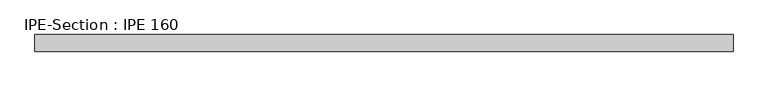
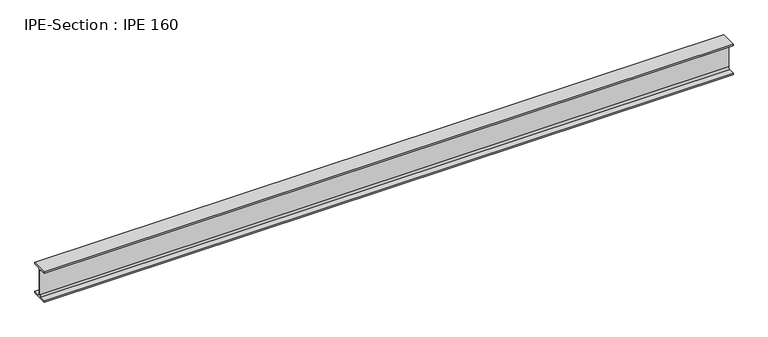
"""IFC4 building model written with IfcOpenShell, lengths in millimetres: beam geometry, IPE-Section : IPE 160."""

from ifc_helpers import new_model, si_unit, point, frame, frame_2d, origin, place, context, project, spatial, polyline, circle_curve, trimmed, segment, composite_curve, outline, extrude, source, transform, mapped, element, save


def ipe_section_ipe_160_d69385b6(model_context):
    return source(origin(), model_context, "Body", "SweptSolid", [
        extrude(outline(composite_curve([segment(polyline([(-41.0, -72.6), (-11.5, -72.6)]), True, "CONTINUOUS"), segment(trimmed(circle_curve(frame_2d((-11.5, -63.6)), 9.0), [point((-11.5, -72.6))], [point((-2.5, -63.6))], True, "CARTESIAN"), True, "CONTINUOUS"), segment(polyline([(-2.5, -63.6), (-2.5, 63.6)]), True, "CONTINUOUS"), segment(trimmed(circle_curve(frame_2d((-11.5, 63.6)), 9.0), [point((-2.5, 63.6))], [point((-11.5, 72.6))], True, "CARTESIAN"), True, "CONTINUOUS"), segment(polyline([(-11.5, 72.6), (-41.0, 72.6), (-41.0, 80.0), (41.0, 80.0), (41.0, 72.6), (11.5, 72.6)]), True, "CONTINUOUS"), segment(trimmed(circle_curve(frame_2d((11.5, 63.6)), 9.0), [point((11.5, 72.6))], [point((2.5, 63.6))], True, "CARTESIAN"), True, "CONTINUOUS"), segment(polyline([(2.5, 63.6), (2.5, -63.6)]), True, "CONTINUOUS"), segment(trimmed(circle_curve(frame_2d((11.5, -63.6)), 9.0), [point((2.5, -63.6))], [point((11.5, -72.6))], True, "CARTESIAN"), True, "CONTINUOUS"), segment(polyline([(11.5, -72.6), (41.0, -72.6), (41.0, -80.0), (-41.0, -80.0), (-41.0, -72.6)]), True, "CONTINUOUS")], self_intersect=False)), frame((-1739.5079868, 0.0, 0.0), z_axis=(1.0, 0.0, 0.0), x_axis=(0.0, 1.0, 0.0)), (0.0, 0.0, 1.0), 3450.6242532),
    ])


if __name__ == "__main__":
    model = new_model("IFC4")
    model_context = context("Model", 3, world=origin())
    ifc_project = project(units=[si_unit("LENGTHUNIT", "METRE", prefix="MILLI")], contexts=[model_context])
    site = spatial("IfcSite", under=ifc_project)
    building = spatial("IfcBuilding", under=site)
    placement = place(None, origin())
    ipe_section_ipe_160_shape = ipe_section_ipe_160_d69385b6(model_context)
    element("IfcBeam", 1, ObjectType="IPE-Section : IPE 160", at=placement, inside=building, context=model_context, shape_type="MappedRepresentation", body=[
        mapped(ipe_section_ipe_160_shape, transform((0.0, 0.0, 0.0), x_axis=(1.0, 0.0, 0.0), y_axis=(0.0, 1.0, 0.0), z_axis=(0.0, 0.0, 1.0))),
    ])
    save(model, "model.ifc")
